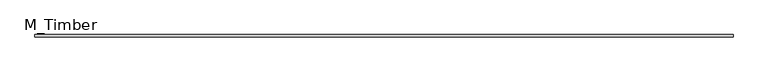
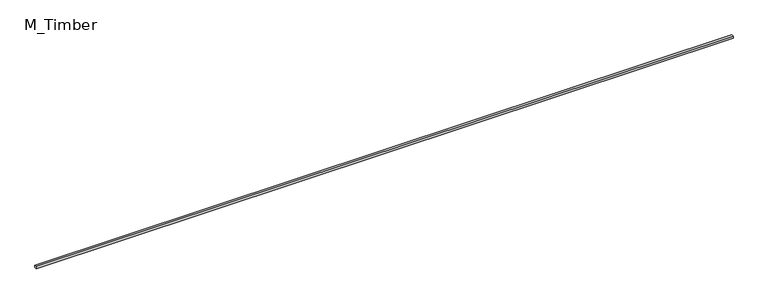
"""IFC4 building model written with IfcOpenShell, lengths in millimetres: beam geometry, M_Timber."""

import ifcopenshell
import ifcopenshell.guid

model = None  # the IFC model being written
_history = None  # IfcOwnerHistory: only IFC2X3 demands one
_inside = {}  # id of a spatial element -> (the spatial element, [elements in it])
_under = {}  # id of a project, library or spatial element -> (it, [spatial elements below it])
_declared = {}  # id of a project -> (the project, [libraries it declares])
_typed = {}  # id of a type object -> (the type object, [elements of that type])
_made_of = {}  # id of a material, layer set ... -> (it, [elements and type objects made of it])


def new_model(schema):
    """Start an empty IFC model of exactly this schema.

    Asked for "IFC4X3", IfcOpenShell would pick the latest addendum, in which some entities
    have other attributes; the version numbers below select the first issue.
    IFC2X3 requires an IfcOwnerHistory on every rooted entity: one is made here for all.
    """
    global model, _history
    if schema == "IFC4X3":
        model = ifcopenshell.file(schema_version=(4, 3, 0, 0))
    else:
        model = ifcopenshell.file(schema=schema)
    _inside.clear()
    _under.clear()
    _declared.clear()
    _typed.clear()
    _made_of.clear()
    _history = None
    if model.schema == "IFC2X3":
        org = make("IfcOrganization", Name="unknown")
        user = make(
            "IfcPersonAndOrganization",
            ThePerson=make("IfcPerson", FamilyName="unknown"),
            TheOrganization=org,
        )
        app = make(
            "IfcApplication",
            ApplicationDeveloper=org,
            Version="unknown",
            ApplicationFullName="unknown",
            ApplicationIdentifier="unknown",
        )
        _history = make(
            "IfcOwnerHistory",
            OwningUser=user,
            OwningApplication=app,
            ChangeAction="ADDED",
            CreationDate=0,
        )
    return model


def make(cls, **values):
    """One entity of the class cls with the attributes given. An attribute that is None is left unset."""
    return model.create_entity(
        cls, **{name: value for name, value in values.items() if value is not None}
    )


def rooted(cls, **values):
    """An entity with a GlobalId (a new one), such as an element, a storey or a relation."""
    return make(cls, GlobalId=ifcopenshell.guid.new(), OwnerHistory=_history, **values)


def si_unit(unit_type, name, prefix=None):
    """IfcSIUnit, for example si_unit("LENGTHUNIT", "METRE", prefix="MILLI")."""
    return make("IfcSIUnit", UnitType=unit_type, Prefix=prefix, Name=name)


def assignment(units):
    """IfcUnitAssignment: the units of a project."""
    return None if units is None else make("IfcUnitAssignment", Units=units)


def point(xyz):
    """IfcCartesianPoint."""
    return None if xyz is None else make("IfcCartesianPoint", Coordinates=xyz)


def direction(xyz):
    """IfcDirection."""
    return None if xyz is None else make("IfcDirection", DirectionRatios=xyz)


def frame(location, z_axis=None, x_axis=None):
    """IfcAxis2Placement3D, a coordinate frame: its origin and axes. An axis left out is left unset."""
    return make(
        "IfcAxis2Placement3D",
        Location=point(location),
        Axis=direction(z_axis),
        RefDirection=direction(x_axis),
    )


def origin():
    """The frame at (0, 0, 0) with its axes left unset."""
    return frame((0.0, 0.0, 0.0))


def place(relative_to, where):
    """IfcLocalPlacement: puts the frame where relative to a parent placement (None: the world)."""
    return make(
        "IfcLocalPlacement", PlacementRelTo=relative_to, RelativePlacement=where
    )


def context(
    kind, dimensions, precision=None, world=None, true_north=None, identifier=None
):
    """IfcGeometricRepresentationContext, for example the 3D "Model" context."""
    return make(
        "IfcGeometricRepresentationContext",
        ContextIdentifier=identifier,
        ContextType=kind,
        CoordinateSpaceDimension=dimensions,
        Precision=precision,
        WorldCoordinateSystem=world,
        TrueNorth=true_north,
    )


def project(units=None, contexts=None):
    """IfcProject with its units and contexts."""
    return rooted(
        "IfcProject",
        Name="project",
        RepresentationContexts=contexts,
        UnitsInContext=assignment(units),
    )


def spatial(cls, under=None, at=None, **own):
    """A site, building, storey or space (cls), placed at a placement, below another one or the project."""
    s = rooted(cls, ObjectPlacement=at, **own)
    if under is not None:
        _under.setdefault(under.id(), (under, []))[1].append(s)
    return s


def polyline(points):
    """IfcPolyline through the points."""
    return make("IfcPolyline", Points=[point(p) for p in points])


def outline(outer, holes=None, kind="AREA"):
    """IfcArbitraryClosedProfileDef: a profile drawn as a closed curve; with holes, ...WithVoids."""
    if holes is None:
        return make("IfcArbitraryClosedProfileDef", ProfileType=kind, OuterCurve=outer)
    return make(
        "IfcArbitraryProfileDefWithVoids",
        ProfileType=kind,
        OuterCurve=outer,
        InnerCurves=holes,
    )


def extrude(swept, where, along, depth):
    """IfcExtrudedAreaSolid: the profile swept, set in the frame where, extruded along a direction by depth."""
    return make(
        "IfcExtrudedAreaSolid",
        SweptArea=swept,
        Position=where,
        ExtrudedDirection=direction(along),
        Depth=depth,
    )


def shape(context_of_items, identifier, shape_type, items):
    """IfcShapeRepresentation: the items that make up one representation, for example the "Body"."""
    return make(
        "IfcShapeRepresentation",
        ContextOfItems=context_of_items,
        RepresentationIdentifier=identifier,
        RepresentationType=shape_type,
        Items=items,
    )


def source(mapping_origin, context_of_items, identifier, shape_type, items):
    """IfcRepresentationMap: a shape defined once, which mapped items show again and again."""
    return make(
        "IfcRepresentationMap",
        MappingOrigin=mapping_origin,
        MappedRepresentation=shape(context_of_items, identifier, shape_type, items),
    )


def transform(
    local_origin,
    x_axis=None,
    y_axis=None,
    z_axis=None,
    scale=None,
    scale2=None,
    scale3=None,
    uniform=True,
):
    """IfcCartesianTransformationOperator3D, or its non-uniform kind. x_axis, y_axis, z_axis: its Axis1, 2, 3."""
    if uniform:
        return make(
            "IfcCartesianTransformationOperator3D",
            Axis1=direction(x_axis),
            Axis2=direction(y_axis),
            LocalOrigin=point(local_origin),
            Scale=scale,
            Axis3=direction(z_axis),
        )
    return make(
        "IfcCartesianTransformationOperator3DnonUniform",
        Axis1=direction(x_axis),
        Axis2=direction(y_axis),
        LocalOrigin=point(local_origin),
        Scale=scale,
        Axis3=direction(z_axis),
        Scale2=scale2,
        Scale3=scale3,
    )


def mapped(mapping_source, mapping_target):
    """IfcMappedItem: shows the shape of a source again, moved by a transform."""
    return make(
        "IfcMappedItem", MappingSource=mapping_source, MappingTarget=mapping_target
    )


def made_of(thing, what):
    """Note that an element or type object is made of a material, layer set ...; save() writes the relation."""
    if what is not None:
        _made_of.setdefault(what.id(), (what, []))[1].append(thing)
    return thing


def element(
    cls,
    number,
    at=None,
    inside=None,
    cuts=None,
    type_object=None,
    material=None,
    context=None,
    identifier="Body",
    shape_type=None,
    held_by="IfcProductDefinitionShape",
    body=None,
    shapes=None,
    **own,
):
    """One element of the class cls, such as IfcWall. Its Tag is "e" and its number.

    at: its placement. inside: the storey or other place that contains it. cuts: it is an
    opening in that element (IfcRelVoidsElement). A single representation is given by context,
    identifier, shape_type and body (its items); several are given by shapes. held_by: the class
    of the entity that holds the representations. save() writes the other relations.
    """
    e = rooted(cls, Tag="e%d" % number, ObjectPlacement=at, **own)
    if body is not None:
        shapes = [shape(context, identifier, shape_type, body)]
    if shapes is not None:
        e.Representation = make(held_by, Representations=shapes)
    if inside is not None:
        _inside.setdefault(inside.id(), (inside, []))[1].append(e)
    if cuts is not None:
        rooted(
            "IfcRelVoidsElement", RelatingBuildingElement=cuts, RelatedOpeningElement=e
        )
    if type_object is not None:
        _typed.setdefault(type_object.id(), (type_object, []))[1].append(e)
    return made_of(e, material)


def aggregate(whole, parts):
    """IfcRelAggregates: a whole, such as a stair, and the parts it consists of."""
    return rooted("IfcRelAggregates", RelatingObject=whole, RelatedObjects=parts)


def save(model, path):
    """Write the relations noted so far, then the file.

    IfcRelAggregates (storeys below a building ...), IfcRelContainedInSpatialStructure (elements
    in a storey), IfcRelDefinesByType, IfcRelAssociatesMaterial and IfcRelDeclares: one each for
    every whole, place, type object, material and project.
    """
    for whole, parts in _under.values():
        aggregate(whole, parts)
    for where, things in _inside.values():
        rooted(
            "IfcRelContainedInSpatialStructure",
            RelatedElements=things,
            RelatingStructure=where,
        )
    for kind, things in _typed.values():
        rooted("IfcRelDefinesByType", RelatedObjects=things, RelatingType=kind)
    for what, things in _made_of.values():
        rooted("IfcRelAssociatesMaterial", RelatedObjects=things, RelatingMaterial=what)
    for by, libraries in _declared.values():
        rooted("IfcRelDeclares", RelatingContext=by, RelatedDefinitions=libraries)
    model.write(path)


def m_timber_00c27dbf(model_context):
    return source(origin(), model_context, "Body", "SweptSolid", [
        extrude(outline(polyline([(6129.1703105, 20.0), (6129.1703105, -20.0), (-6129.1703105, -20.0), (-6129.1703105, 20.0), (6129.1703105, 20.0)])), frame((0.0, 0.0, -20.0), z_axis=(0.0, 0.0, 1.0), x_axis=(1.0, 0.0, 0.0)), (0.0, 0.0, 1.0), 40.0),
    ])


if __name__ == "__main__":
    model = new_model("IFC4")
    model_context = context("Model", 3, world=origin())
    ifc_project = project(units=[si_unit("LENGTHUNIT", "METRE", prefix="MILLI")], contexts=[model_context])
    site = spatial("IfcSite", under=ifc_project)
    building = spatial("IfcBuilding", under=site)
    placement = place(None, origin())
    m_timber_shape = m_timber_00c27dbf(model_context)
    element("IfcBeam", 1, ObjectType="M_Timber", at=placement, inside=building, context=model_context, shape_type="MappedRepresentation", body=[
        mapped(m_timber_shape, transform((0.0, 0.0, 0.0), x_axis=(1.0, 0.0, 0.0), y_axis=(0.0, 1.0, 0.0), z_axis=(0.0, 0.0, 1.0))),
    ])
    save(model, "model.ifc")
